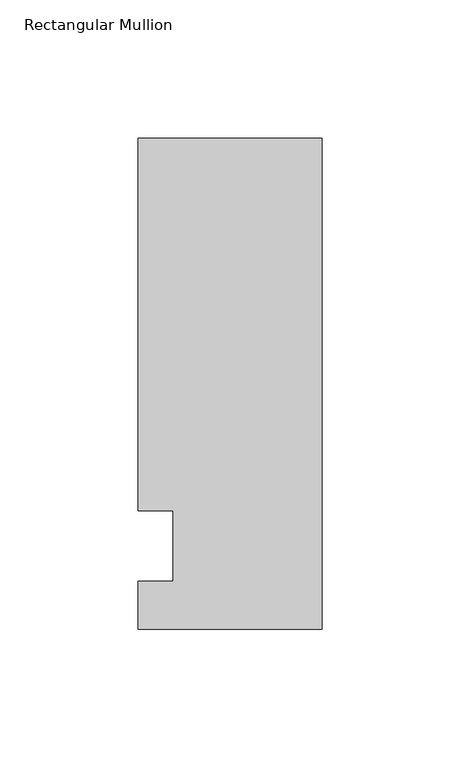
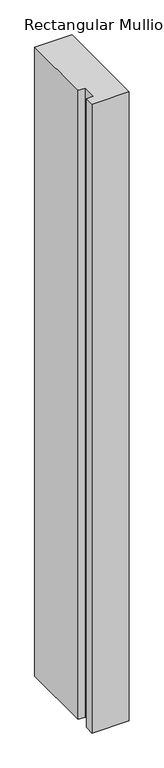
"""IFC4 building model written with IfcOpenShell, lengths in millimetres: member geometry, Rectangular Mullion."""

from ifc_helpers import new_model, si_unit, frame, origin, place, context, project, spatial, polyline, outline, extrude, source, transform, mapped, element, save


def rectangular_mullion_0226f0f9(model_context):
    return source(origin(), model_context, "Body", "SweptSolid", [
        extrude(outline(polyline([(-66.675, 147.6375), (0.0, 147.6375), (0.0, -30.1625), (-66.675, -30.1625), (-66.675, -12.7), (-53.9732296, -12.7), (-53.9732296, 12.7), (-66.675, 12.7), (-66.675, 147.6375)])), frame((0.0, 0.0, -1190.625), z_axis=(0.0, 0.0, 1.0), x_axis=(1.0, 0.0, 0.0)), (0.0, 0.0, 1.0), 1190.625),
    ])


if __name__ == "__main__":
    model = new_model("IFC4")
    model_context = context("Model", 3, world=origin())
    ifc_project = project(units=[si_unit("LENGTHUNIT", "METRE", prefix="MILLI")], contexts=[model_context])
    site = spatial("IfcSite", under=ifc_project)
    building = spatial("IfcBuilding", under=site)
    placement = place(None, origin())
    rectangular_mullion_shape = rectangular_mullion_0226f0f9(model_context)
    element("IfcMember", 1, ObjectType="Rectangular Mullion", at=placement, inside=building, context=model_context, shape_type="MappedRepresentation", body=[
        mapped(rectangular_mullion_shape, transform((0.0, 0.0, 0.0), x_axis=(1.0, 0.0, 0.0), y_axis=(0.0, 1.0, 0.0), z_axis=(0.0, 0.0, 1.0))),
    ])
    save(model, "model.ifc")
